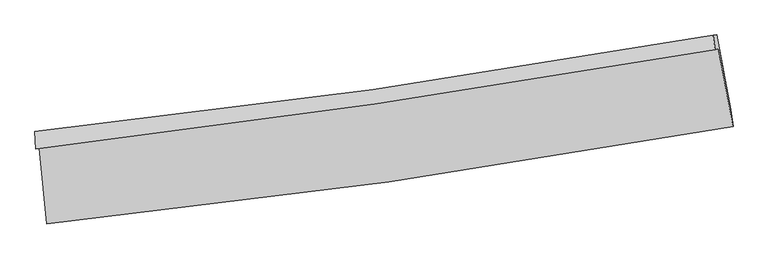
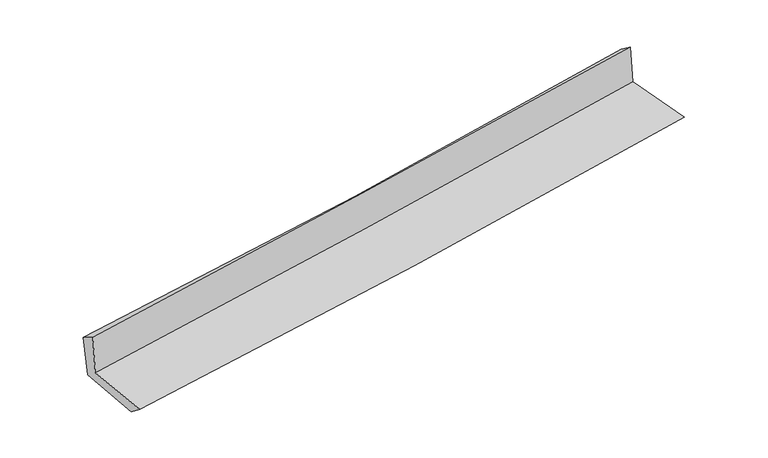
"""IFC4 building model written with IfcOpenShell, lengths in millimetres: proxy geometry."""

from ifc_helpers import new_model, si_unit, frame, origin, place, context, project, spatial, source, transform, mapped, element, save
from ifc_brep_helpers import plane_surface, spline_curve, spline_surface, advanced_brep


def generic_models_e57e4bb9(model_context):
    return source(origin(), model_context, "Body", "AdvancedBrep", [
        advanced_brep(
        [(-2979.0776113, -1908.6459686, 1632.6834057), (-2912.7327344, -2570.8496365, 1620.909429), (3063.8718677, -1718.9781241, 2130.5906524), (2935.742632, -1040.3863611, 2138.0896316), (-3008.9560423, -1918.6362187, 2026.2037584), (2906.6210396, -1050.1235522, 2521.6418773), (-3016.9995228, -1765.310207, 1935.6292429), (2890.345118, -924.2326122, 2430.1626442), (-2983.9795599, -1782.3917341, 1536.1546267), (2921.5971228, -921.2728144, 2035.9932104), (-2918.0002635, -2433.9535829, 1515.6374885), (3045.6580901, -1574.4442444, 2019.7102711)],
        [
            (0, 1),
            (1, 2, spline_curve(3, [(-2912.7327344, -2570.8496365, 1620.909429), (-1917.774396451, -2467.071126501, 1715.305306524), (-924.64618145, -2344.626889289, 1804.794995188), (1067.591124563, -2061.03456064, 1974.784633369), (2066.664443409, -1899.521626993, 2055.188685642), (3063.8718677, -1718.9781241, 2130.5906524)], [4, 2, 4], [0.0, 9.84382864443597, 19.783395949935638])),
            (2, 3),
            (3, 0, spline_curve(3, [(2935.742632, -1040.3863611, 2138.0896316), (1948.451241764, -1211.42056134, 2063.681961174), (959.510595979, -1369.580777858, 1984.132357417), (-1012.127770623, -1658.753835005, 1815.565037255), (-1994.793872242, -1790.013487695, 1726.64589948), (-2979.0776113, -1908.6459686, 1632.6834057)], [4, 2, 4], [0.0, 9.939567305499668, 19.783395949935638])),
            (4, 0),
            (3, 5),
            (5, 4, spline_curve(3, [(2906.6210396, -1050.1235522, 2521.6418773), (1918.950619636, -1221.284485984, 2452.226300328), (929.757694267, -1379.529055366, 2375.999398552), (-1042.130521804, -1668.785653414, 2210.722776498), (-2024.796623688, -1800.045306143, 2121.803638542), (-3008.9560423, -1918.6362187, 2026.2037584)], [4, 2, 4], [0.0, 9.890484750505996, 19.68570360681553])),
            (6, 4),
            (5, 7),
            (7, 6, spline_curve(3, [(2890.345118, -924.2326122, 2430.1626442), (1905.853977445, -1099.153967396, 2350.650963188), (918.935691807, -1256.961210915, 2269.476563628), (-1050.225720286, -1536.992308039, 2104.600219739), (-2032.422314918, -1659.544262744, 2020.930152502), (-3016.9995228, -1765.310207, 1935.6292429)], [4, 2, 4], [0.0, 9.880703212172946, 19.666234746663527])),
            (8, 6),
            (7, 9),
            (9, 8, spline_curve(3, [(2921.5971228, -921.2728144, 2035.9932104), (1938.740274852, -1106.14191155, 1953.872835524), (952.783940026, -1270.585269921, 1870.954013199), (-1015.801042248, -1557.233320119, 1704.32584465), (-1998.370268428, -1679.829601957, 1620.631805805), (-2983.9795599, -1782.3917341, 1536.1546267)], [4, 2, 4], [0.0, 9.872682792035047, 19.650271159678695])),
            (10, 8),
            (9, 11),
            (11, 10, spline_curve(3, [(3045.6580901, -1574.4442444, 2019.7102711), (2051.156665908, -1753.054679455, 1936.978030925), (1054.519120308, -1914.248417358, 1853.39848305), (-933.40794991, -2200.417628351, 1685.357978181), (-1924.656522212, -2325.727003233, 1600.913265243), (-2918.0002635, -2433.9535829, 1515.6374885)], [4, 2, 4], [0.0, 9.921291798264747, 19.747020966528233])),
            (1, 10),
            (11, 2),
        ],
        [
            spline_surface(3, 3, [[(-2979.0776113, -1908.6459686, 1632.6834057), (-1994.793872341, -1790.013487767, 1726.645899374), (-1012.127770461, -1658.753835035, 1815.565037388), (959.510595815, -1369.580777828, 1984.132357282), (1948.451241671, -1211.420561387, 2063.681961242), (2935.742632, -1040.3863611, 2138.0896316)], [(-2956.962652329, -2129.380524572, 1628.758746821), (-1969.120713671, -2015.6993673, 1722.8657018), (-982.967240761, -1887.378186474, 1811.975023383), (995.537438689, -1600.065372126, 1981.01644931), (1987.855642264, -1440.787583238, 2060.850869425), (2978.452377218, -1266.583615452, 2135.589971895)], [(-2934.847693371, -2350.115080528, 1624.834087879), (-1943.447555013, -2241.385246817, 1719.085504163), (-953.806711042, -2116.002537841, 1808.385009287), (1031.564281581, -1830.549966351, 1977.900541247), (2027.260042902, -1670.154605034, 2058.019777524), (3021.162122482, -1492.780869748, 2133.090312105)], [(-2912.7327344, -2570.8496365, 1620.909429), (-1917.774396343, -2467.07112635, 1715.305306588), (-924.646181342, -2344.62688928, 1804.794995282), (1067.591124454, -2061.034560649, 1974.784633275), (2066.664443495, -1899.521626885, 2055.188685707), (3063.8718677, -1718.9781241, 2130.5906524)]], [4, 4], [4, 2, 4], [0.0, 2.2824263221676473], [0.0, 9.84382864443597, 19.783395949935638]),
            spline_surface(3, 3, [[(-3008.9560423, -1918.6362187, 2026.2037584), (-2024.796623568, -1800.045305985, 2121.803638566), (-1042.130521687, -1668.785653253, 2210.722776479), (929.75769415, -1379.529055529, 2375.999398572), (1918.950619533, -1221.284486112, 2452.226300274), (2906.6210396, -1050.1235522, 2521.6418773)], [(-2998.996565287, -1915.306135329, 1895.030307503), (-2014.79570648, -1796.701366575, 1990.084392171), (-1032.129604599, -1665.441713842, 2079.003530085), (939.675328051, -1376.212962957, 2245.377051445), (1928.784160255, -1217.996511212, 2322.711520588), (2916.328237076, -1046.877821841, 2393.791128724)], [(-2989.037088313, -1911.976051971, 1763.856856597), (-2004.794789429, -1793.357427178, 1858.365145769), (-1022.128687549, -1662.097774445, 1947.284283782), (949.592961914, -1372.8968704, 2114.754704409), (1938.617700949, -1214.708536287, 2193.196740929), (2926.035434524, -1043.632091459, 2265.940380176)], [(-2979.0776113, -1908.6459686, 1632.6834057), (-1994.793872341, -1790.013487767, 1726.645899374), (-1012.127770461, -1658.753835035, 1815.565037388), (959.510595815, -1369.580777828, 1984.132357282), (1948.451241671, -1211.420561387, 2063.681961242), (2935.742632, -1040.3863611, 2138.0896316)]], [4, 4], [4, 2, 4], [0.0, 1.2951290811931297], [0.0, 9.795218856309534, 19.68570360681553]),
            spline_surface(3, 3, [[(-3016.9995228, -1765.310207, 1935.6292429), (-2032.422314828, -1659.54426281, 2020.930152444), (-1050.225720227, -1536.992308094, 2104.600219818), (918.935691747, -1256.961210859, 2269.476563548), (1905.853977412, -1099.153967304, 2350.65096322), (2890.345118, -924.2326122, 2430.1626442)], [(-3014.318362655, -1816.418877557, 1965.820748069), (-2029.880417763, -1706.377943859, 2054.55464782), (-1047.527320709, -1580.92342313, 2139.974405404), (922.543025886, -1297.817159064, 2304.984175255), (1910.219524781, -1139.86414022, 2384.509408888), (2895.770425196, -966.196258847, 2460.655721883)], [(-3011.637202445, -1867.527548143, 1996.012253231), (-2027.338520632, -1753.211624936, 2088.17914319), (-1044.828921205, -1624.854538218, 2175.348590893), (926.150360011, -1338.673107323, 2340.491786865), (1914.585072163, -1180.574313196, 2418.367854606), (2901.195732404, -1008.159905553, 2491.148799617)], [(-3008.9560423, -1918.6362187, 2026.2037584), (-2024.796623568, -1800.045305985, 2121.803638566), (-1042.130521687, -1668.785653253, 2210.722776479), (929.75769415, -1379.529055529, 2375.999398572), (1918.950619533, -1221.284486112, 2452.226300274), (2906.6210396, -1050.1235522, 2521.6418773)]], [4, 4], [4, 2, 4], [0.0, 0.5446410781396931], [0.0, 9.78553153449058, 19.666234746663527]),
            spline_surface(3, 3, [[(-2983.9795599, -1782.3917341, 1536.1546267), (-1998.370268508, -1679.829601837, 1620.631805736), (-1015.801042278, -1557.233320238, 1704.325844642), (952.783940056, -1270.585269801, 1870.954013208), (1938.740274689, -1106.141911521, 1953.87283554), (2921.5971228, -921.2728144, 2035.9932104)], [(-2994.986214189, -1776.697891738, 1669.312832075), (-2009.720950603, -1673.067822166, 1754.064587947), (-1027.275934935, -1550.486316204, 1837.750636341), (941.501190613, -1266.043916834, 2003.794863295), (1927.77817559, -1103.812596799, 2086.132211438), (2911.17978786, -922.259413684, 2167.383021671)], [(-3005.992868511, -1771.004049362, 1802.471037525), (-2021.071632732, -1666.306042481, 1887.497370233), (-1038.75082757, -1543.739312129, 1971.175428118), (930.218441191, -1261.502563826, 2136.635713461), (1916.816076511, -1101.483282026, 2218.391587322), (2900.76245294, -923.246012916, 2298.772832929)], [(-3016.9995228, -1765.310207, 1935.6292429), (-2032.422314828, -1659.54426281, 2020.930152444), (-1050.225720227, -1536.992308094, 2104.600219818), (918.935691747, -1256.961210859, 2269.476563548), (1905.853977412, -1099.153967304, 2350.65096322), (2890.345118, -924.2326122, 2430.1626442)]], [4, 4], [4, 2, 4], [0.0, 1.3162794921206702], [0.0, 9.777588367643649, 19.650271159678695]),
            spline_surface(3, 3, [[(-2918.0002635, -2433.9535829, 1515.6374885), (-1924.656522316, -2325.727003088, 1600.913265086), (-933.407949917, -2200.417628261, 1685.35797816), (1054.519120315, -1914.248417448, 1853.398483071), (2051.156665807, -1753.054679418, 1936.978030875), (3045.6580901, -1574.4442444, 2019.7102711)], [(-2939.993362316, -2216.766299967, 1522.476534582), (-1949.227771063, -2110.427869338, 1607.486111984), (-960.872314036, -1986.022858907, 1691.680600337), (1020.607393564, -1699.694034885, 1859.250326466), (2013.684535449, -1537.417090097, 1942.609632449), (3004.304434348, -1356.720434378, 2025.137917552)], [(-2961.986461084, -1999.579017033, 1529.315580618), (-1973.799019761, -1895.128735587, 1614.058958838), (-988.336678159, -1771.628089593, 1698.003222465), (986.695666808, -1485.139652364, 1865.102169813), (1976.212405048, -1321.779500842, 1948.241233967), (2962.950778552, -1138.996624422, 2030.565563948)], [(-2983.9795599, -1782.3917341, 1536.1546267), (-1998.370268508, -1679.829601837, 1620.631805736), (-1015.801042278, -1557.233320238, 1704.325844642), (952.783940056, -1270.585269801, 1870.954013208), (1938.740274689, -1106.141911521, 1953.87283554), (2921.5971228, -921.2728144, 2035.9932104)]], [4, 4], [4, 2, 4], [0.0, 2.133362569385659], [0.0, 9.825729168263486, 19.747020966528233]),
            spline_surface(3, 3, [[(-2912.7327344, -2570.8496365, 1620.909429), (-1917.774396343, -2467.07112635, 1715.305306588), (-924.646181342, -2344.62688928, 1804.794995282), (1067.591124454, -2061.034560649, 1974.784633275), (2066.664443495, -1899.521626885, 2055.188685707), (3063.8718677, -1718.9781241, 2130.5906524)], [(-2914.488577423, -2525.217618637, 1585.818782151), (-1920.068438324, -2419.956418599, 1677.174626072), (-927.566770873, -2296.557135606, 1764.982656219), (1063.233789736, -2012.105846247, 1934.322583184), (2061.495184268, -1850.699311061, 2015.785134071), (3057.800608502, -1670.800164199, 2093.630525275)], [(-2916.244420477, -2479.585600763, 1550.728135349), (-1922.362480336, -2372.841710839, 1639.043945602), (-930.487360387, -2248.487381936, 1725.170317223), (1058.876455034, -1963.17713185, 1893.860533161), (2056.325925034, -1801.876995242, 1976.381582511), (3051.729349298, -1622.622204301, 2056.670398225)], [(-2918.0002635, -2433.9535829, 1515.6374885), (-1924.656522316, -2325.727003088, 1600.913265086), (-933.407949917, -2200.417628261, 1685.35797816), (1054.519120315, -1914.248417448, 1853.398483071), (2051.156665807, -1753.054679418, 1936.978030875), (3045.6580901, -1574.4442444, 2019.7102711)]], [4, 4], [4, 2, 4], [0.0, 0.6207117045824403], [0.0, 9.882379239778183, 19.860872074247474]),
            plane_surface(frame((2960.6393117, -1204.9062847, 2212.6980478), z_axis=(0.9797202011967915, 0.18411353584286183, 0.0790603142313387), x_axis=(-0.0790354642214974, -0.007485247699439523, 0.9968437021229409))),
            plane_surface(frame((-2969.9576224, -2063.2978913, 1711.2029919), z_axis=(-0.992137679682657, -0.09801672082178366, -0.0778173951842273), x_axis=(-0.099673355253129, 0.9948629723103869, 0.01768865676997762))),
        ],
        [
            (0, [[1, 2, 3, 4]]),
            (1, [[5, -4, 6, 7]]),
            (2, [[8, -7, 9, 10]]),
            (3, [[11, -10, 12, 13]]),
            (4, [[14, -13, 15, 16]]),
            (5, [[17, -16, 18, -2]]),
            (6, [[-12, -9, -6, -3, -18, -15]]),
            (7, [[-1, -5, -8, -11, -14, -17]]),
        ],
    ),
    ])


if __name__ == "__main__":
    model = new_model("IFC4")
    model_context = context("Model", 3, world=origin())
    ifc_project = project(units=[si_unit("LENGTHUNIT", "METRE", prefix="MILLI")], contexts=[model_context])
    site = spatial("IfcSite", under=ifc_project)
    building = spatial("IfcBuilding", under=site)
    placement = place(None, origin())
    generic_models_shape = generic_models_e57e4bb9(model_context)
    element("IfcBuildingElementProxy", 1, Name="Generic Models", at=placement, inside=building, context=model_context, shape_type="MappedRepresentation", body=[
        mapped(generic_models_shape, transform((0.0, 0.0, 0.0), x_axis=(1.0, 0.0, 0.0), y_axis=(0.0, 1.0, 0.0), z_axis=(0.0, 0.0, 1.0))),
    ])
    save(model, "model.ifc")
